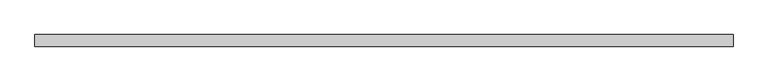
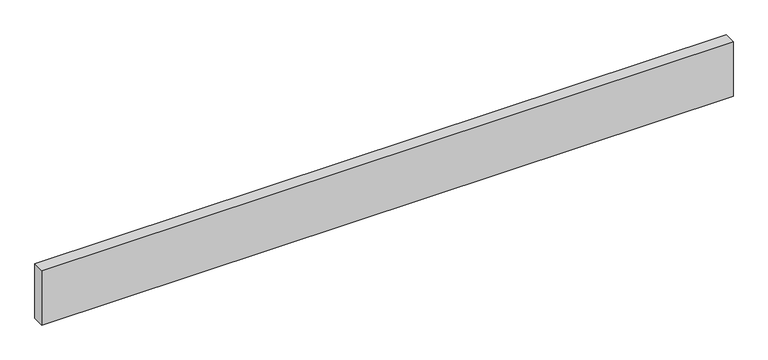
"""IFC4 building model written with IfcOpenShell, lengths in millimetres: proxy geometry."""

import ifcopenshell
import ifcopenshell.guid

model = None  # the IFC model being written
_history = None  # IfcOwnerHistory: only IFC2X3 demands one
_inside = {}  # id of a spatial element -> (the spatial element, [elements in it])
_under = {}  # id of a project, library or spatial element -> (it, [spatial elements below it])
_declared = {}  # id of a project -> (the project, [libraries it declares])
_typed = {}  # id of a type object -> (the type object, [elements of that type])
_made_of = {}  # id of a material, layer set ... -> (it, [elements and type objects made of it])


def new_model(schema):
    """Start an empty IFC model of exactly this schema.

    Asked for "IFC4X3", IfcOpenShell would pick the latest addendum, in which some entities
    have other attributes; the version numbers below select the first issue.
    IFC2X3 requires an IfcOwnerHistory on every rooted entity: one is made here for all.
    """
    global model, _history
    if schema == "IFC4X3":
        model = ifcopenshell.file(schema_version=(4, 3, 0, 0))
    else:
        model = ifcopenshell.file(schema=schema)
    _inside.clear()
    _under.clear()
    _declared.clear()
    _typed.clear()
    _made_of.clear()
    _history = None
    if model.schema == "IFC2X3":
        org = make("IfcOrganization", Name="unknown")
        user = make(
            "IfcPersonAndOrganization",
            ThePerson=make("IfcPerson", FamilyName="unknown"),
            TheOrganization=org,
        )
        app = make(
            "IfcApplication",
            ApplicationDeveloper=org,
            Version="unknown",
            ApplicationFullName="unknown",
            ApplicationIdentifier="unknown",
        )
        _history = make(
            "IfcOwnerHistory",
            OwningUser=user,
            OwningApplication=app,
            ChangeAction="ADDED",
            CreationDate=0,
        )
    return model


def make(cls, **values):
    """One entity of the class cls with the attributes given. An attribute that is None is left unset."""
    return model.create_entity(
        cls, **{name: value for name, value in values.items() if value is not None}
    )


def rooted(cls, **values):
    """An entity with a GlobalId (a new one), such as an element, a storey or a relation."""
    return make(cls, GlobalId=ifcopenshell.guid.new(), OwnerHistory=_history, **values)


def si_unit(unit_type, name, prefix=None):
    """IfcSIUnit, for example si_unit("LENGTHUNIT", "METRE", prefix="MILLI")."""
    return make("IfcSIUnit", UnitType=unit_type, Prefix=prefix, Name=name)


def assignment(units):
    """IfcUnitAssignment: the units of a project."""
    return None if units is None else make("IfcUnitAssignment", Units=units)


def point(xyz):
    """IfcCartesianPoint."""
    return None if xyz is None else make("IfcCartesianPoint", Coordinates=xyz)


def direction(xyz):
    """IfcDirection."""
    return None if xyz is None else make("IfcDirection", DirectionRatios=xyz)


def frame(location, z_axis=None, x_axis=None):
    """IfcAxis2Placement3D, a coordinate frame: its origin and axes. An axis left out is left unset."""
    return make(
        "IfcAxis2Placement3D",
        Location=point(location),
        Axis=direction(z_axis),
        RefDirection=direction(x_axis),
    )


def origin():
    """The frame at (0, 0, 0) with its axes left unset."""
    return frame((0.0, 0.0, 0.0))


def origin_with_axes():
    """The frame at (0, 0, 0) with the z axis (0, 0, 1) and the x axis (1, 0, 0) written out."""
    return frame((0.0, 0.0, 0.0), z_axis=(0.0, 0.0, 1.0), x_axis=(1.0, 0.0, 0.0))


def place(relative_to, where):
    """IfcLocalPlacement: puts the frame where relative to a parent placement (None: the world)."""
    return make(
        "IfcLocalPlacement", PlacementRelTo=relative_to, RelativePlacement=where
    )


def context(
    kind, dimensions, precision=None, world=None, true_north=None, identifier=None
):
    """IfcGeometricRepresentationContext, for example the 3D "Model" context."""
    return make(
        "IfcGeometricRepresentationContext",
        ContextIdentifier=identifier,
        ContextType=kind,
        CoordinateSpaceDimension=dimensions,
        Precision=precision,
        WorldCoordinateSystem=world,
        TrueNorth=true_north,
    )


def project(units=None, contexts=None):
    """IfcProject with its units and contexts."""
    return rooted(
        "IfcProject",
        Name="project",
        RepresentationContexts=contexts,
        UnitsInContext=assignment(units),
    )


def spatial(cls, under=None, at=None, **own):
    """A site, building, storey or space (cls), placed at a placement, below another one or the project."""
    s = rooted(cls, ObjectPlacement=at, **own)
    if under is not None:
        _under.setdefault(under.id(), (under, []))[1].append(s)
    return s


def polyline(points):
    """IfcPolyline through the points."""
    return make("IfcPolyline", Points=[point(p) for p in points])


def outline(outer, holes=None, kind="AREA"):
    """IfcArbitraryClosedProfileDef: a profile drawn as a closed curve; with holes, ...WithVoids."""
    if holes is None:
        return make("IfcArbitraryClosedProfileDef", ProfileType=kind, OuterCurve=outer)
    return make(
        "IfcArbitraryProfileDefWithVoids",
        ProfileType=kind,
        OuterCurve=outer,
        InnerCurves=holes,
    )


def extrude(swept, where, along, depth):
    """IfcExtrudedAreaSolid: the profile swept, set in the frame where, extruded along a direction by depth."""
    return make(
        "IfcExtrudedAreaSolid",
        SweptArea=swept,
        Position=where,
        ExtrudedDirection=direction(along),
        Depth=depth,
    )


def shape(context_of_items, identifier, shape_type, items):
    """IfcShapeRepresentation: the items that make up one representation, for example the "Body"."""
    return make(
        "IfcShapeRepresentation",
        ContextOfItems=context_of_items,
        RepresentationIdentifier=identifier,
        RepresentationType=shape_type,
        Items=items,
    )


def source(mapping_origin, context_of_items, identifier, shape_type, items):
    """IfcRepresentationMap: a shape defined once, which mapped items show again and again."""
    return make(
        "IfcRepresentationMap",
        MappingOrigin=mapping_origin,
        MappedRepresentation=shape(context_of_items, identifier, shape_type, items),
    )


def transform(
    local_origin,
    x_axis=None,
    y_axis=None,
    z_axis=None,
    scale=None,
    scale2=None,
    scale3=None,
    uniform=True,
):
    """IfcCartesianTransformationOperator3D, or its non-uniform kind. x_axis, y_axis, z_axis: its Axis1, 2, 3."""
    if uniform:
        return make(
            "IfcCartesianTransformationOperator3D",
            Axis1=direction(x_axis),
            Axis2=direction(y_axis),
            LocalOrigin=point(local_origin),
            Scale=scale,
            Axis3=direction(z_axis),
        )
    return make(
        "IfcCartesianTransformationOperator3DnonUniform",
        Axis1=direction(x_axis),
        Axis2=direction(y_axis),
        LocalOrigin=point(local_origin),
        Scale=scale,
        Axis3=direction(z_axis),
        Scale2=scale2,
        Scale3=scale3,
    )


def mapped(mapping_source, mapping_target):
    """IfcMappedItem: shows the shape of a source again, moved by a transform."""
    return make(
        "IfcMappedItem", MappingSource=mapping_source, MappingTarget=mapping_target
    )


def made_of(thing, what):
    """Note that an element or type object is made of a material, layer set ...; save() writes the relation."""
    if what is not None:
        _made_of.setdefault(what.id(), (what, []))[1].append(thing)
    return thing


def element(
    cls,
    number,
    at=None,
    inside=None,
    cuts=None,
    type_object=None,
    material=None,
    context=None,
    identifier="Body",
    shape_type=None,
    held_by="IfcProductDefinitionShape",
    body=None,
    shapes=None,
    **own,
):
    """One element of the class cls, such as IfcWall. Its Tag is "e" and its number.

    at: its placement. inside: the storey or other place that contains it. cuts: it is an
    opening in that element (IfcRelVoidsElement). A single representation is given by context,
    identifier, shape_type and body (its items); several are given by shapes. held_by: the class
    of the entity that holds the representations. save() writes the other relations.
    """
    e = rooted(cls, Tag="e%d" % number, ObjectPlacement=at, **own)
    if body is not None:
        shapes = [shape(context, identifier, shape_type, body)]
    if shapes is not None:
        e.Representation = make(held_by, Representations=shapes)
    if inside is not None:
        _inside.setdefault(inside.id(), (inside, []))[1].append(e)
    if cuts is not None:
        rooted(
            "IfcRelVoidsElement", RelatingBuildingElement=cuts, RelatedOpeningElement=e
        )
    if type_object is not None:
        _typed.setdefault(type_object.id(), (type_object, []))[1].append(e)
    return made_of(e, material)


def aggregate(whole, parts):
    """IfcRelAggregates: a whole, such as a stair, and the parts it consists of."""
    return rooted("IfcRelAggregates", RelatingObject=whole, RelatedObjects=parts)


def save(model, path):
    """Write the relations noted so far, then the file.

    IfcRelAggregates (storeys below a building ...), IfcRelContainedInSpatialStructure (elements
    in a storey), IfcRelDefinesByType, IfcRelAssociatesMaterial and IfcRelDeclares: one each for
    every whole, place, type object, material and project.
    """
    for whole, parts in _under.values():
        aggregate(whole, parts)
    for where, things in _inside.values():
        rooted(
            "IfcRelContainedInSpatialStructure",
            RelatedElements=things,
            RelatingStructure=where,
        )
    for kind, things in _typed.values():
        rooted("IfcRelDefinesByType", RelatedObjects=things, RelatingType=kind)
    for what, things in _made_of.values():
        rooted("IfcRelAssociatesMaterial", RelatedObjects=things, RelatingMaterial=what)
    for by, libraries in _declared.values():
        rooted("IfcRelDeclares", RelatingContext=by, RelatedDefinitions=libraries)
    model.write(path)


def generic_models_e68fd35e(model_context):
    return source(origin(), model_context, "Body", "SweptSolid", [
        extrude(outline(polyline([(0.0, -100.0), (-6000.0, -100.0), (-6000.0, 0.0), (0.0, 0.0), (0.0, -100.0)])), origin_with_axes(), (0.0, 0.0, 1.0), 500.0),
    ])


if __name__ == "__main__":
    model = new_model("IFC4")
    model_context = context("Model", 3, world=origin())
    ifc_project = project(units=[si_unit("LENGTHUNIT", "METRE", prefix="MILLI")], contexts=[model_context])
    site = spatial("IfcSite", under=ifc_project)
    building = spatial("IfcBuilding", under=site)
    placement = place(None, origin())
    generic_models_shape = generic_models_e68fd35e(model_context)
    element("IfcBuildingElementProxy", 1, Name="Generic Models", at=placement, inside=building, context=model_context, shape_type="MappedRepresentation", body=[
        mapped(generic_models_shape, transform((0.0, 0.0, 0.0), x_axis=(1.0, 0.0, 0.0), y_axis=(0.0, 1.0, 0.0), z_axis=(0.0, 0.0, 1.0))),
    ])
    save(model, "model.ifc")
